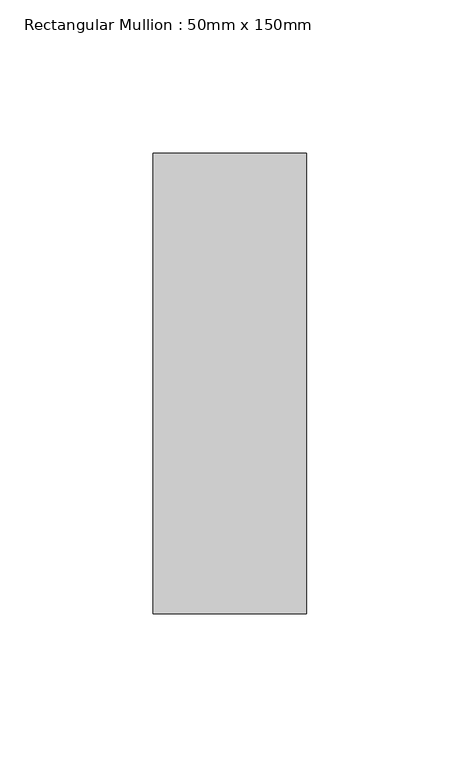
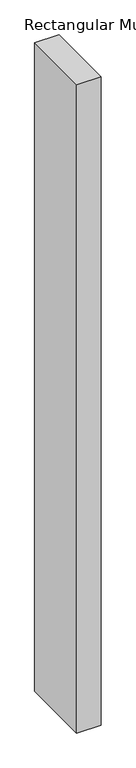
"""IFC4 building model written with IfcOpenShell, lengths in millimetres: member geometry, Rectangular Mullion : 50mm x 150mm."""

from ifc_helpers import new_model, si_unit, frame, origin, place, context, project, spatial, polyline, outline, extrude, source, transform, mapped, element, save


def rectangular_mullion_50mm_x_150mm_f33bdd90(model_context):
    return source(origin(), model_context, "Body", "SweptSolid", [
        extrude(outline(polyline([(25.0, 75.0), (25.0, -75.0), (-25.0, -75.0), (-25.0, 75.0), (25.0, 75.0)])), frame((0.0, 0.0, -1410.7142859), z_axis=(0.0, 0.0, 1.0), x_axis=(1.0, 0.0, 0.0)), (0.0, 0.0, 1.0), 1410.7142859),
    ])


if __name__ == "__main__":
    model = new_model("IFC4")
    model_context = context("Model", 3, world=origin())
    ifc_project = project(units=[si_unit("LENGTHUNIT", "METRE", prefix="MILLI")], contexts=[model_context])
    site = spatial("IfcSite", under=ifc_project)
    building = spatial("IfcBuilding", under=site)
    placement = place(None, origin())
    rectangular_mullion_50mm_x_150mm_shape = rectangular_mullion_50mm_x_150mm_f33bdd90(model_context)
    element("IfcMember", 1, ObjectType="Rectangular Mullion : 50mm x 150mm", at=placement, inside=building, context=model_context, shape_type="MappedRepresentation", body=[
        mapped(rectangular_mullion_50mm_x_150mm_shape, transform((0.0, 0.0, 0.0), x_axis=(1.0, 0.0, 0.0), y_axis=(0.0, 1.0, 0.0), z_axis=(0.0, 0.0, 1.0))),
    ])
    save(model, "model.ifc")
